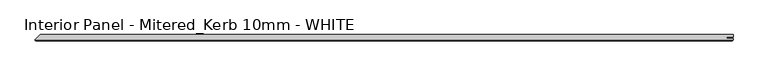
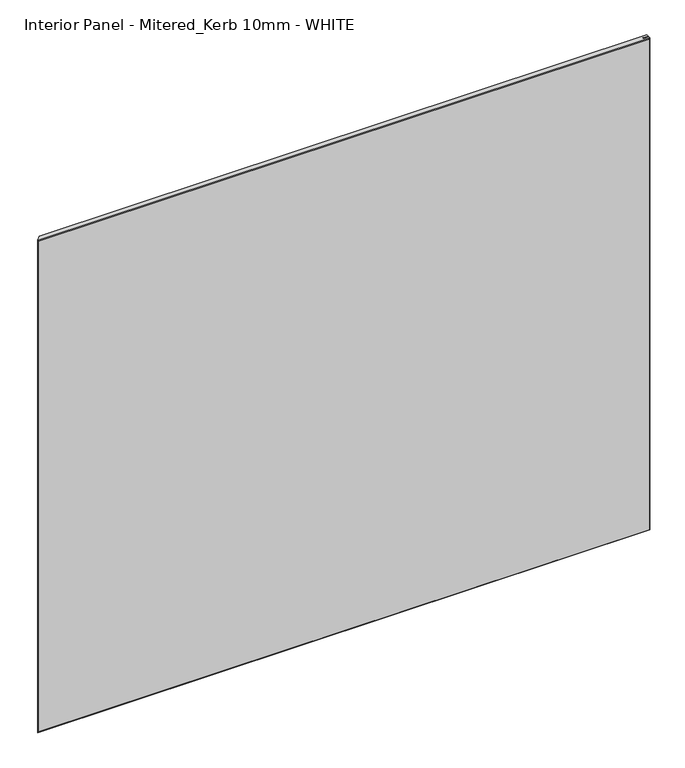
"""IFC4 building model written with IfcOpenShell, lengths in millimetres: proxy geometry, Interior Panel - Mitered_Kerb 10mm - WHITE."""

from ifc_helpers import new_model, si_unit, origin, place, context, project, spatial, faceted_brep, source, transform, mapped, element, save


def interior_panel_mitered_kerb_10mm_white_61a93d0f(model_context):
    return source(origin(), model_context, "Body", "Brep", [
        faceted_brep([(1003.3, 3.175, 914.4), (-65.0875, 3.175, 914.4), (-73.025, -4.7625, 914.4), (1003.3, -4.7625, 914.4), (1003.3, -2.6543, 914.4), (993.4773437, -2.6543, 914.4), (993.4773437, -0.5207, 914.4), (1003.3, -0.5207, 914.4), (1003.3, 3.175, 0.0), (1003.3, -0.5207, 0.0), (993.4773437, -0.5207, 0.0), (993.4773437, -2.6543, 0.0), (1003.3, -2.6543, 0.0), (1003.3, -4.7625, 0.0), (-73.025, -4.7625, 0.0), (-65.0875, 3.175, 0.0), (-71.4375, -6.35, 912.8125), (-71.4375, -6.35, 1.5875), (1001.7125, -6.35, 1.5875), (1001.7125, -6.35, 912.8125)], [[[0, 1, 2, 3, 4, 5, 6, 7]], [[8, 9, 10, 11, 12, 13, 14, 15]], [[1, 0, 8, 15]], [[16, 17, 18, 19]], [[4, 3, 13, 12]], [[13, 3, 19, 18]], [[3, 2, 16, 19]], [[14, 13, 18, 17]], [[5, 4, 12, 11]], [[6, 5, 11, 10]], [[7, 6, 10, 9]], [[0, 7, 9, 8]], [[2, 1, 15, 14]], [[2, 14, 17, 16]]]),
    ])


if __name__ == "__main__":
    model = new_model("IFC4")
    model_context = context("Model", 3, world=origin())
    ifc_project = project(units=[si_unit("LENGTHUNIT", "METRE", prefix="MILLI")], contexts=[model_context])
    site = spatial("IfcSite", under=ifc_project)
    building = spatial("IfcBuilding", under=site)
    placement = place(None, origin())
    interior_panel_mitered_kerb_10mm_white_shape = interior_panel_mitered_kerb_10mm_white_61a93d0f(model_context)
    element("IfcBuildingElementProxy", 1, Name="Interior Panel - Mitered_Kerb 10mm - WHITE", ObjectType="Interior Panel - Mitered_Kerb 10mm - WHITE", at=placement, inside=building, context=model_context, shape_type="MappedRepresentation", body=[
        mapped(interior_panel_mitered_kerb_10mm_white_shape, transform((0.0, 0.0, 0.0), x_axis=(1.0, 0.0, 0.0), y_axis=(0.0, 1.0, 0.0), z_axis=(0.0, 0.0, 1.0))),
    ])
    save(model, "model.ifc")
